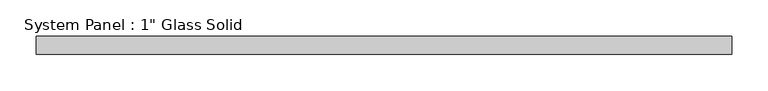
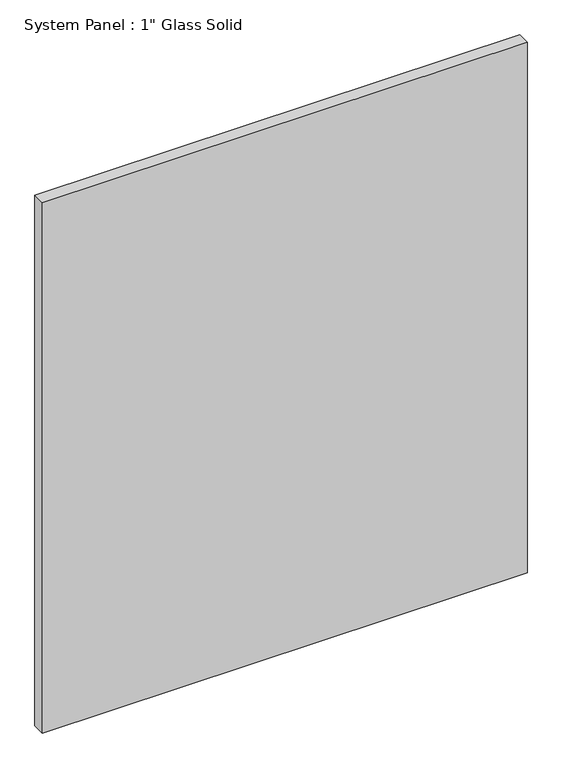
"""IFC4 building model written with IfcOpenShell, lengths in millimetres: plate geometry."""

from ifc_helpers import new_model, si_unit, origin, origin_with_axes, place, context, project, spatial, polyline, outline, extrude, source, transform, mapped, element, save


def plate_06bbaa41(model_context):
    return source(origin(), model_context, "Body", "SweptSolid", [
        extrude(outline(polyline([(482.6008852, -12.7), (-482.6008852, -12.7), (-482.6008852, 12.7), (482.6008852, 12.7), (482.6008852, -12.7)])), origin_with_axes(), (0.0, 0.0, 1.0), 1116.4441382),
    ])


if __name__ == "__main__":
    model = new_model("IFC4")
    model_context = context("Model", 3, world=origin())
    ifc_project = project(units=[si_unit("LENGTHUNIT", "METRE", prefix="MILLI")], contexts=[model_context])
    site = spatial("IfcSite", under=ifc_project)
    building = spatial("IfcBuilding", under=site)
    placement = place(None, origin())
    plate_shape = plate_06bbaa41(model_context)
    element("IfcPlate", 1, ObjectType="System Panel : 1\" Glass Solid", at=placement, inside=building, context=model_context, shape_type="MappedRepresentation", body=[
        mapped(plate_shape, transform((0.0, 0.0, 0.0), x_axis=(1.0, 0.0, 0.0), y_axis=(0.0, 1.0, 0.0), z_axis=(0.0, 0.0, 1.0))),
    ])
    save(model, "model.ifc")
